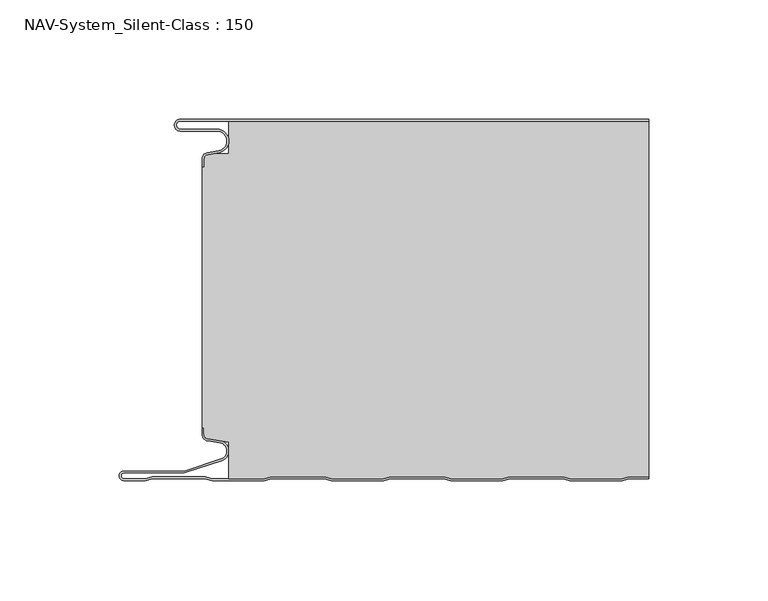
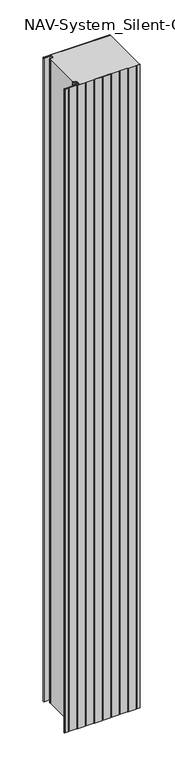
"""IFC4 building model written with IfcOpenShell, lengths in millimetres: plate geometry, NAV-System_Silent-Class : 150."""

from ifc_helpers import new_model, si_unit, frame, origin, place, context, project, spatial, polyline, circle_curve, source, transform, mapped, element, save
from ifc_brep_helpers import plane_surface, cylinder_surface, revolved_surface, advanced_brep


def nav_system_silent_class_150_ef2c6c8c(model_context):
    return source(origin(), model_context, "Body", "AdvancedBrep", [
        advanced_brep(
        [(-97.0000001, -0.8000002, 0.0), (-97.0000001, -4.1999999, 0.0), (-81.6002086, -4.1999999, 0.0), (-80.7423864, -14.0049502, 0.0), (-85.6125665, -14.8636946, 0.0), (-87.1000004, -16.6363494, 0.0), (-87.1000014, -19.9421291, 0.0), (-87.9000014, -19.9421291, 0.0), (-87.9000014, -16.6363484, 0.0), (-85.7514853, -14.0758488, 0.0), (-80.8813015, -13.217104, 0.0), (-81.600205, -4.9999999, 0.0), (-97.0000001, -4.9999999, 0.0), (-97.0000001, 0.0, 0.0), (99.5, 0.0, 0.0), (99.5, -0.8, 0.0), (-97.0000001, 0.0, 2000.0), (-97.0000001, -4.9999999, 2000.0), (-81.600205, -4.9999999, 2000.0), (-80.8813015, -13.217104, 2000.0), (-85.7514853, -14.0758488, 2000.0), (-87.8999997, -16.6363484, 2000.0), (-87.9000014, -19.9421291, 2000.0), (-87.1000014, -19.9421291, 2000.0), (-87.1000014, -16.6363494, 2000.0), (-85.6125665, -14.8636946, 2000.0), (-80.7423864, -14.0049502, 2000.0), (-81.6002086, -4.1999999, 2000.0), (-97.0000001, -4.1999999, 2000.0), (-97.0000001, -0.8000002, 2000.0), (99.5, -0.8, 2000.0), (99.5, 0.0, 2000.0)],
        [
            (0, 1, circle_curve(frame((-97.0000001, -2.5, 0.0), z_axis=(0.0, 0.0, 1.0), x_axis=(1.0, 0.0, 0.0)), 1.6999999)),
            (1, 2),
            (2, 3, circle_curve(frame((-81.6002086, -9.1399999, 0.0), z_axis=(0.0, 0.0, -1.0), x_axis=(1.0, 0.0, 0.0)), 4.94)),
            (3, 4),
            (4, 5, circle_curve(frame((-85.2999995, -16.6363494, 0.0), z_axis=(0.0, 0.0, 1.0), x_axis=(1.0, 0.0, 0.0)), 1.8000009)),
            (5, 6),
            (6, 7),
            (7, 8),
            (8, 9, circle_curve(frame((-85.3000002, -16.6363484, 0.0), z_axis=(0.0, 0.0, -1.0), x_axis=(1.0, 0.0, 0.0)), 2.5999995)),
            (9, 10),
            (10, 11, circle_curve(frame((-81.600205, -9.1399999, 0.0), z_axis=(0.0, 0.0, 1.0), x_axis=(1.0, 0.0, 0.0)), 4.14)),
            (11, 12),
            (12, 13, circle_curve(frame((-97.0000001, -2.4999999, 0.0), z_axis=(0.0, 0.0, -1.0), x_axis=(1.0, 0.0, 0.0)), 2.4999999)),
            (13, 14),
            (14, 15),
            (15, 0),
            (16, 17, circle_curve(frame((-97.0000001, -2.4999999, 2000.0), z_axis=(0.0, 0.0, 1.0), x_axis=(1.0, 0.0, 0.0)), 2.4999999)),
            (17, 18),
            (18, 19, circle_curve(frame((-81.600205, -9.1399999, 2000.0), z_axis=(0.0, 0.0, -1.0), x_axis=(1.0, 0.0, 0.0)), 4.14)),
            (19, 20),
            (20, 21, circle_curve(frame((-85.3000002, -16.6363484, 2000.0), z_axis=(0.0, 0.0, 1.0), x_axis=(1.0, 0.0, 0.0)), 2.5999995)),
            (21, 22),
            (22, 23),
            (23, 24),
            (24, 25, circle_curve(frame((-85.2999995, -16.6363494, 2000.0), z_axis=(0.0, 0.0, -1.0), x_axis=(1.0, 0.0, 0.0)), 1.8000009)),
            (25, 26),
            (26, 27, circle_curve(frame((-81.6002086, -9.1399999, 2000.0), z_axis=(0.0, 0.0, 1.0), x_axis=(1.0, 0.0, 0.0)), 4.94)),
            (27, 28),
            (28, 29, circle_curve(frame((-97.0000001, -2.5, 2000.0), z_axis=(0.0, 0.0, -1.0), x_axis=(1.0, 0.0, 0.0)), 1.6999999)),
            (29, 30),
            (30, 31),
            (31, 16),
            (29, 0),
            (15, 30),
            (13, 16),
            (31, 14),
            (1, 28),
            (27, 2),
            (5, 24),
            (23, 6),
            (22, 7),
            (21, 8),
            (11, 18),
            (17, 12),
            (26, 3),
            (25, 4),
            (20, 9),
            (19, 10),
        ],
        [
            plane_surface(frame((-99.5, 0.0, 0.0), z_axis=(0.0, 0.0, -1.0), x_axis=(0.0, -1.0, 0.0))),
            plane_surface(frame((-99.5, 0.0, 2000.0), z_axis=(0.0, 0.0, 1.0), x_axis=(0.0, -1.0, 0.0))),
            plane_surface(frame((898.5000017, -0.8, 0.0), z_axis=(0.0, -1.0, 0.0), x_axis=(0.0, 0.0, 1.0))),
            plane_surface(frame((-97.0000001, 0.0, 0.0), z_axis=(0.0, 1.0, 0.0), x_axis=(0.0, 0.0, 1.0))),
            plane_surface(frame((-97.0000001, -4.1999999, 0.0), z_axis=(0.0, 1.0, 0.0), x_axis=(0.0, 0.0, 1.0))),
            plane_surface(frame((-87.1000014, -16.6363494, 0.0), z_axis=(1.0, 0.0, 0.0), x_axis=(0.0, 0.0, 1.0))),
            plane_surface(frame((-87.1000014, -19.9421291, 0.0), z_axis=(0.0, -1.0, 0.0), x_axis=(0.0, 0.0, 1.0))),
            plane_surface(frame((-87.9000014, -19.9421291, 0.0), z_axis=(-1.0, 0.0, 0.0), x_axis=(0.0, 0.0, 1.0))),
            plane_surface(frame((-81.600205, -4.9999999, 0.0), z_axis=(0.0, -1.0, 0.0), x_axis=(0.0, 0.0, 1.0))),
            revolved_surface(polyline([(-95.3000002, -2.5, 2000.0), (-95.3000002, -2.5, 0.0)]), (-97.0000001, -2.5, 0.0), (0.0, 0.0, 1.0)),
            cylinder_surface(frame((-81.6002086, -9.1399999, 0.0), z_axis=(0.0, 0.0, -1.0), x_axis=(1.0, 0.0, 0.0)), 4.94),
            plane_surface(frame((-80.7423864, -14.0049502, 0.0), z_axis=(0.17364822279076972, -0.9848077450556567, 0.0), x_axis=(0.0, 0.0, 1.0))),
            revolved_surface(polyline([(-83.4999986, -16.6363494, 2000.0), (-83.4999986, -16.6363494, 0.0)]), (-85.2999995, -16.6363494, 0.0), (0.0, 0.0, 1.0)),
            cylinder_surface(frame((-85.3000002, -16.6363484, 0.0), z_axis=(0.0, 0.0, -1.0), x_axis=(1.0, 0.0, 0.0)), 2.5999995),
            plane_surface(frame((-85.7514853, -14.0758488, 0.0), z_axis=(-0.17364817295915452, 0.984807753842316, 0.0), x_axis=(0.0, 0.0, 1.0))),
            revolved_surface(polyline([(-77.460205, -9.1399999, 2000.0), (-77.460205, -9.1399999, 0.0)]), (-81.600205, -9.1399999, 0.0), (0.0, 0.0, 1.0)),
            cylinder_surface(frame((-97.0000001, -2.4999999, 0.0), z_axis=(0.0, 0.0, -1.0), x_axis=(1.0, 0.0, 0.0)), 2.4999999),
            plane_surface(frame((99.5, 100.0, 2000.0), z_axis=(1.0, 0.0, 0.0), x_axis=(0.0, 0.0, -1.0))),
        ],
        [
            (0, [[1, 2, 3, 4, 5, 6, 7, 8, 9, 10, 11, 12, 13, 14, 15, 16]]),
            (1, [[17, 18, 19, 20, 21, 22, 23, 24, 25, 26, 27, 28, 29, 30, 31, 32]]),
            (2, [[33, -16, 34, -30]]),
            (3, [[35, -32, 36, -14]]),
            (4, [[-2, 37, -28, 38]]),
            (5, [[-6, 39, -24, 40]]),
            (6, [[-7, -40, -23, 41]]),
            (7, [[-8, -41, -22, 42]]),
            (8, [[-12, 43, -18, 44]]),
            (9, [[-1, -33, -29, -37]]),
            (10, [[-3, -38, -27, 45]]),
            (11, [[-4, -45, -26, 46]]),
            (12, [[-5, -46, -25, -39]]),
            (13, [[-9, -42, -21, 47]]),
            (14, [[-10, -47, -20, 48]]),
            (15, [[-11, -48, -19, -43]]),
            (16, [[-13, -44, -17, -35]]),
            (17, [[-15, -36, -31, -34]]),
        ],
    ),
        advanced_brep(
        [(-76.6719045, -0.8, 2000.0), (-76.6719045, -14.4343223, 2000.0), (-83.1891722, -14.4343223, 2000.0), (-85.6242625, -14.8636946, 2000.0), (-87.1116964, -16.636349, 2000.0), (-87.1116974, -19.9512003, 2000.0), (-87.9116974, -19.9512003, 2000.0), (-87.9116974, -129.3983656, 2000.0), (-87.1116974, -129.3983656, 2000.0), (-87.1116974, -132.1656409, 2000.0), (-85.4245663, -134.1410176, 2000.0), (-76.6248082, -135.5347623, 2000.0), (-76.6248082, -150.8, 2000.0), (-61.8218295, -150.8, 2000.0), (-58.7610803, -150.0, 2000.0), (-36.5891849, -150.0, 2000.0), (-33.5284357, -150.8, 2000.0), (-11.8218295, -150.8, 2000.0), (-8.7610803, -150.0, 2000.0), (13.4108151, -150.0, 2000.0), (16.4715643, -150.8, 2000.0), (38.1904, -150.8, 2000.0), (41.2511493, -150.0, 2000.0), (63.4108151, -150.0, 2000.0), (66.4715643, -150.8, 2000.0), (88.1781705, -150.8, 2000.0), (91.2389197, -150.0, 2000.0), (99.5, -150.0, 2000.0), (99.5, -0.8, 2000.0), (91.2389197, -150.0, 0.0), (88.1781705, -150.8, 0.0), (66.4715643, -150.8, 0.0), (63.4108151, -150.0, 0.0), (41.2511493, -150.0, 0.0), (38.1904, -150.8, 0.0), (16.4715643, -150.8, 0.0), (13.4108151, -150.0, 0.0), (-8.7610803, -150.0, 0.0), (-11.8218295, -150.8, 0.0), (-33.5284357, -150.8, 0.0), (-36.5891849, -150.0, 0.0), (-58.7610803, -150.0, 0.0), (-61.8218295, -150.8, 0.0), (-76.6248082, -150.8, 0.0), (-76.6248082, -135.5347623, 0.0), (-85.4245663, -134.1410176, 0.0), (-87.1116974, -132.1656409, 0.0), (-87.1116974, -129.3983656, 0.0), (-87.9116974, -129.3983656, 0.0), (-87.9116974, -19.9512003, 0.0), (-87.1116974, -19.9512003, 0.0), (-87.1116974, -16.636349, 0.0), (-85.6242625, -14.8636946, 0.0), (-83.1891722, -14.4343223, 0.0), (-76.6719045, -14.4343223, 0.0), (-76.6719045, -0.8, 0.0), (99.5, -0.8, 0.0), (99.5, -150.0, 0.0)],
        [
            (0, 1),
            (1, 2),
            (2, 3),
            (3, 4, circle_curve(frame((-85.3116955, -16.6363494, 2000.0), z_axis=(0.0, 0.0, 1.0), x_axis=(1.0, 0.0, 0.0)), 1.8000009)),
            (4, 5),
            (5, 6),
            (6, 7),
            (7, 8),
            (8, 9),
            (9, 10, circle_curve(frame((-85.1116974, -132.1656409, 2000.0), z_axis=(0.0, 0.0, 1.0), x_axis=(1.0, 0.0, 0.0)), 2.0)),
            (10, 11),
            (11, 12),
            (12, 13),
            (13, 14),
            (14, 15),
            (15, 16),
            (16, 17),
            (17, 18),
            (18, 19),
            (19, 20),
            (20, 21),
            (21, 22),
            (22, 23),
            (23, 24),
            (24, 25),
            (25, 26),
            (26, 27),
            (27, 28),
            (28, 0),
            (29, 30),
            (30, 31),
            (31, 32),
            (32, 33),
            (33, 34),
            (34, 35),
            (35, 36),
            (36, 37),
            (37, 38),
            (38, 39),
            (39, 40),
            (40, 41),
            (41, 42),
            (42, 43),
            (43, 44),
            (44, 45),
            (45, 46, circle_curve(frame((-85.1116974, -132.1656409, 0.0), z_axis=(0.0, 0.0, -1.0), x_axis=(1.0, 0.0, 0.0)), 2.0)),
            (46, 47),
            (47, 48),
            (48, 49),
            (49, 50),
            (50, 51),
            (51, 52, circle_curve(frame((-85.3116955, -16.6363494, 0.0), z_axis=(0.0, 0.0, -1.0), x_axis=(1.0, 0.0, 0.0)), 1.8000009)),
            (52, 53),
            (53, 54),
            (54, 55),
            (55, 56),
            (56, 57),
            (57, 29),
            (55, 0),
            (28, 56),
            (54, 1),
            (53, 2),
            (52, 3),
            (51, 4),
            (50, 5),
            (49, 6),
            (48, 7),
            (47, 8),
            (46, 9),
            (45, 10),
            (44, 11),
            (43, 12),
            (42, 13),
            (41, 14),
            (40, 15),
            (39, 16),
            (38, 17),
            (37, 18),
            (36, 19),
            (35, 20),
            (34, 21),
            (33, 22),
            (32, 23),
            (31, 24),
            (30, 25),
            (29, 26),
            (57, 27),
        ],
        [
            plane_surface(frame((-99.5, 0.0, 2000.0), z_axis=(0.0, 0.0, 1.0), x_axis=(0.0, -1.0, 0.0))),
            plane_surface(frame((-99.5, 0.0, 0.0), z_axis=(0.0, 0.0, -1.0), x_axis=(0.0, -1.0, 0.0))),
            plane_surface(frame((898.4883057, -0.8, 2000.0), z_axis=(0.0, 1.0, 0.0), x_axis=(0.0, 0.0, -1.0))),
            plane_surface(frame((-76.6719045, -0.8, 2000.0), z_axis=(-1.0, 0.0, 0.0), x_axis=(0.0, 0.0, -1.0))),
            plane_surface(frame((-76.6719045, -14.4343223, 2000.0), z_axis=(0.0, 1.0, 0.0), x_axis=(0.0, 0.0, -1.0))),
            plane_surface(frame((-83.1891722, -14.4343223, 2000.0), z_axis=(-0.17364822279077605, 0.9848077450556556, 0.0), x_axis=(0.0, 0.0, -1.0))),
            cylinder_surface(frame((-85.3116955, -16.6363494, 2000.0), z_axis=(0.0, 0.0, 1.0), x_axis=(1.0, 0.0, 0.0)), 1.8000009),
            plane_surface(frame((-87.1116974, -16.636349, 2000.0), z_axis=(-1.0, 0.0, 0.0), x_axis=(0.0, 0.0, -1.0))),
            plane_surface(frame((-87.1116974, -19.9512003, 2000.0), z_axis=(0.0, 1.0, 0.0), x_axis=(0.0, 0.0, -1.0))),
            plane_surface(frame((-87.9116974, -19.9512003, 2000.0), z_axis=(-1.0, 0.0, 0.0), x_axis=(0.0, 0.0, -1.0))),
            plane_surface(frame((-87.9116974, -129.3983656, 2000.0), z_axis=(0.0, -1.0, 0.0), x_axis=(0.0, 0.0, -1.0))),
            plane_surface(frame((-87.1116974, -129.3983656, 2000.0), z_axis=(-1.0, 0.0, 0.0), x_axis=(0.0, 0.0, -1.0))),
            cylinder_surface(frame((-85.1116974, -132.1656409, 2000.0), z_axis=(0.0, 0.0, 1.0), x_axis=(1.0, 0.0, 0.0)), 2.0),
            plane_surface(frame((-85.4245663, -134.1410176, 2000.0), z_axis=(-0.15643446503999625, -0.987688340595175, 0.0), x_axis=(0.0, 0.0, -1.0))),
            plane_surface(frame((-76.6248082, -135.5347623, 2000.0), z_axis=(-1.0, 0.0, 0.0), x_axis=(0.0, 0.0, -1.0))),
            plane_surface(frame((-76.6248082, -150.8, 2000.0), z_axis=(0.0, -1.0, 0.0), x_axis=(0.0, 0.0, -1.0))),
            plane_surface(frame((-61.8218295, -150.8, 2000.0), z_axis=(0.2528787310081783, -0.9674979831522613, 0.0), x_axis=(0.0, 0.0, -1.0))),
            plane_surface(frame((-58.7610803, -150.0, 2000.0), z_axis=(0.0, -1.0, 0.0), x_axis=(0.0, 0.0, -1.0))),
            plane_surface(frame((-36.5891849, -150.0, 2000.0), z_axis=(-0.25287873100938985, -0.9674979831519447, 0.0), x_axis=(0.0, 0.0, -1.0))),
            plane_surface(frame((-33.5284357, -150.8, 2000.0), z_axis=(0.0, -1.0, 0.0), x_axis=(0.0, 0.0, -1.0))),
            plane_surface(frame((-11.8218295, -150.8, 2000.0), z_axis=(0.2528787310082863, -0.9674979831522332, 0.0), x_axis=(0.0, 0.0, -1.0))),
            plane_surface(frame((-8.7610803, -150.0, 2000.0), z_axis=(0.0, -1.0, 0.0), x_axis=(0.0, 0.0, -1.0))),
            plane_surface(frame((13.4108151, -150.0, 2000.0), z_axis=(-0.25287873100843145, -0.9674979831521953, 0.0), x_axis=(0.0, 0.0, -1.0))),
            plane_surface(frame((16.4715643, -150.8, 2000.0), z_axis=(0.0, -1.0, 0.0), x_axis=(0.0, 0.0, -1.0))),
            plane_surface(frame((38.1904, -150.8, 2000.0), z_axis=(0.2528787310081133, -0.9674979831522784, 0.0), x_axis=(0.0, 0.0, -1.0))),
            plane_surface(frame((41.2511493, -150.0, 2000.0), z_axis=(0.0, -1.0, 0.0), x_axis=(0.0, 0.0, -1.0))),
            plane_surface(frame((63.4108151, -150.0, 2000.0), z_axis=(-0.25287873100834907, -0.9674979831522168, 0.0), x_axis=(0.0, 0.0, -1.0))),
            plane_surface(frame((66.4715643, -150.8, 2000.0), z_axis=(0.0, -1.0, 0.0), x_axis=(0.0, 0.0, -1.0))),
            plane_surface(frame((88.1781705, -150.8, 2000.0), z_axis=(0.2528787310082685, -0.9674979831522379, 0.0), x_axis=(0.0, 0.0, -1.0))),
            plane_surface(frame((91.2389197, -150.0, 2000.0), z_axis=(0.0, -1.0, 0.0), x_axis=(0.0, 0.0, -1.0))),
            plane_surface(frame((99.5, 100.0, 2000.0), z_axis=(1.0, 0.0, 0.0), x_axis=(0.0, 0.0, -1.0))),
        ],
        [
            (0, [[1, 2, 3, 4, 5, 6, 7, 8, 9, 10, 11, 12, 13, 14, 15, 16, 17, 18, 19, 20, 21, 22, 23, 24, 25, 26, 27, 28, 29]]),
            (1, [[30, 31, 32, 33, 34, 35, 36, 37, 38, 39, 40, 41, 42, 43, 44, 45, 46, 47, 48, 49, 50, 51, 52, 53, 54, 55, 56, 57, 58]]),
            (2, [[59, -29, 60, -56]]),
            (3, [[-1, -59, -55, 61]]),
            (4, [[-2, -61, -54, 62]]),
            (5, [[-3, -62, -53, 63]]),
            (6, [[-4, -63, -52, 64]]),
            (7, [[-5, -64, -51, 65]]),
            (8, [[-6, -65, -50, 66]]),
            (9, [[-7, -66, -49, 67]]),
            (10, [[-8, -67, -48, 68]]),
            (11, [[-9, -68, -47, 69]]),
            (12, [[-10, -69, -46, 70]]),
            (13, [[-11, -70, -45, 71]]),
            (14, [[-12, -71, -44, 72]]),
            (15, [[-13, -72, -43, 73]]),
            (16, [[-14, -73, -42, 74]]),
            (17, [[-15, -74, -41, 75]]),
            (18, [[-16, -75, -40, 76]]),
            (19, [[-17, -76, -39, 77]]),
            (20, [[-18, -77, -38, 78]]),
            (21, [[-19, -78, -37, 79]]),
            (22, [[-20, -79, -36, 80]]),
            (23, [[-21, -80, -35, 81]]),
            (24, [[-22, -81, -34, 82]]),
            (25, [[-23, -82, -33, 83]]),
            (26, [[-24, -83, -32, 84]]),
            (27, [[-25, -84, -31, 85]]),
            (28, [[-26, -85, -30, 86]]),
            (29, [[-86, -58, 87, -27]]),
            (30, [[-28, -87, -57, -60]]),
        ],
    ),
        advanced_brep(
        [(91.239397, -150.0, 2000.0), (88.1786477, -150.8, 2000.0), (66.4720416, -150.8, 2000.0), (63.4112923, -150.0, 2000.0), (41.2516265, -150.0, 2000.0), (38.1908772, -150.8, 2000.0), (16.4720416, -150.8, 2000.0), (13.4112923, -150.0, 2000.0), (-8.760603, -150.0, 2000.0), (-11.8213523, -150.8, 2000.0), (-33.5279584, -150.8, 2000.0), (-36.5887077, -150.0, 2000.0), (-58.760603, -150.0, 2000.0), (-61.8213523, -150.8, 2000.0), (-83.5279584, -150.8, 2000.0), (-86.5887077, -150.0, 2000.0), (-108.760603, -150.0, 2000.0), (-111.8190206, -150.7993906, 2000.0), (-120.7154182, -150.7993906, 2000.0), (-120.6771783, -148.4000003, 2000.0), (-95.3414726, -148.4000003, 2000.0), (-79.6231923, -143.2926893, 2000.0), (-80.2358126, -134.9629887, 2000.0), (-85.4240891, -134.1412465, 2000.0), (-87.1112201, -132.1658698, 2000.0), (-87.1112201, -129.3985945, 2000.0), (-87.9112201, -129.3985945, 2000.0), (-87.9112201, -132.1658698, 2000.0), (-85.5140582, -134.93674, 2000.0), (-80.4044746, -135.7460185, 2000.0), (-79.8704103, -142.5316172, 2000.0), (-95.4681798, -147.6000003, 2000.0), (-120.6771783, -147.6000003, 2000.0), (-120.726556, -151.5993906, 2000.0), (-111.7161981, -151.5993906, 2000.0), (-108.6577806, -150.8, 2000.0), (-86.6915302, -150.8, 2000.0), (-83.6307809, -151.6, 2000.0), (-61.7185298, -151.6, 2000.0), (-58.6577806, -150.8, 2000.0), (-36.6915302, -150.8, 2000.0), (-33.6307809, -151.6, 2000.0), (-11.7185298, -151.6, 2000.0), (-8.6577806, -150.8, 2000.0), (13.3084698, -150.8, 2000.0), (16.3692191, -151.6, 2000.0), (38.2936997, -151.6, 2000.0), (41.354449, -150.8, 2000.0), (63.3084698, -150.8, 2000.0), (66.3692191, -151.6, 2000.0), (88.2814702, -151.6, 2000.0), (91.3422194, -150.8, 2000.0), (99.5, -150.8, 2000.0), (99.5, -150.0, 2000.0), (91.3422194, -150.8, 0.0), (88.2814702, -151.6, 0.0), (66.3692191, -151.6, 0.0), (63.3084698, -150.8, 0.0), (41.354449, -150.8, 0.0), (38.2936997, -151.6, 0.0), (16.3692191, -151.6, 0.0), (13.3084698, -150.8, 0.0), (-8.6577806, -150.8, 0.0), (-11.7185298, -151.6, 0.0), (-33.6307809, -151.6, 0.0), (-36.6915302, -150.8, 0.0), (-58.6577806, -150.8, 0.0), (-61.7185298, -151.6, 0.0), (-83.6307809, -151.6, 0.0), (-86.6915302, -150.8, 0.0), (-108.6577806, -150.8, 0.0), (-111.7161981, -151.5993906, 0.0), (-120.726556, -151.5993906, 0.0), (-120.6771783, -147.6000003, 0.0), (-95.4681798, -147.6000003, 0.0), (-79.8704103, -142.5318461, 0.0), (-80.4044746, -135.7460185, 0.0), (-85.5140582, -134.93674, 0.0), (-87.9112201, -132.1658698, 0.0), (-87.9112201, -129.3985945, 0.0), (-87.1112201, -129.3985945, 0.0), (-87.1112201, -132.1658698, 0.0), (-85.4240891, -134.1412465, 0.0), (-80.2358126, -134.9629887, 0.0), (-79.6231923, -143.2924604, 0.0), (-95.3414726, -148.4000003, 0.0), (-120.6771783, -148.4000003, 0.0), (-120.7154182, -150.7993906, 0.0), (-111.8190206, -150.7993906, 0.0), (-108.760603, -150.0, 0.0), (-86.5887077, -150.0, 0.0), (-83.5279584, -150.8, 0.0), (-61.8213523, -150.8, 0.0), (-58.760603, -150.0, 0.0), (-36.5887077, -150.0, 0.0), (-33.5279584, -150.8, 0.0), (-11.8213523, -150.8, 0.0), (-8.760603, -150.0, 0.0), (13.4112923, -150.0, 0.0), (16.4720416, -150.8, 0.0), (38.1908772, -150.8, 0.0), (41.2516265, -150.0, 0.0), (63.4112923, -150.0, 0.0), (66.4720416, -150.8, 0.0), (88.1786477, -150.8, 0.0), (91.239397, -150.0, 0.0), (99.5, -150.0, 0.0), (99.5, -150.8, 0.0)],
        [
            (0, 1),
            (1, 2),
            (2, 3),
            (3, 4),
            (4, 5),
            (5, 6),
            (6, 7),
            (7, 8),
            (8, 9),
            (9, 10),
            (10, 11),
            (11, 12),
            (12, 13),
            (13, 14),
            (14, 15),
            (15, 16),
            (16, 17),
            (17, 18),
            (18, 19, circle_curve(frame((-120.6771783, -149.6000001, 2000.0), z_axis=(0.0, 0.0, -1.0), x_axis=(1.0, 0.0, 0.0)), 1.1999999)),
            (19, 20),
            (20, 21),
            (21, 22, circle_curve(frame((-80.9519964, -139.2029275, 2000.0), z_axis=(0.0, 0.0, 1.0), x_axis=(1.0, 0.0, 0.0)), 4.3)),
            (22, 23),
            (23, 24, circle_curve(frame((-85.1112201, -132.1658698, 2000.0), z_axis=(0.0, 0.0, -1.0), x_axis=(1.0, 0.0, 0.0)), 2.0)),
            (24, 25),
            (25, 26),
            (26, 27),
            (27, 28, circle_curve(frame((-85.1112201, -132.1658698, 2000.0), z_axis=(0.0, 0.0, 1.0), x_axis=(1.0, 0.0, 0.0)), 2.8)),
            (28, 29),
            (29, 30, circle_curve(frame((-80.9519952, -139.2029277, 2000.0), z_axis=(0.0, 0.0, -1.0), x_axis=(1.0, 0.0, 0.0)), 3.5)),
            (30, 31),
            (31, 32),
            (32, 33, circle_curve(frame((-120.6771783, -149.6000003, 2000.0), z_axis=(0.0, 0.0, 1.0), x_axis=(1.0, 0.0, 0.0)), 1.9999999)),
            (33, 34),
            (34, 35),
            (35, 36),
            (36, 37),
            (37, 38),
            (38, 39),
            (39, 40),
            (40, 41),
            (41, 42),
            (42, 43),
            (43, 44),
            (44, 45),
            (45, 46),
            (46, 47),
            (47, 48),
            (48, 49),
            (49, 50),
            (50, 51),
            (51, 52),
            (52, 53),
            (53, 0),
            (54, 55),
            (55, 56),
            (56, 57),
            (57, 58),
            (58, 59),
            (59, 60),
            (60, 61),
            (61, 62),
            (62, 63),
            (63, 64),
            (64, 65),
            (65, 66),
            (66, 67),
            (67, 68),
            (68, 69),
            (69, 70),
            (70, 71),
            (71, 72),
            (72, 73, circle_curve(frame((-120.6771783, -149.6000003, 0.0), z_axis=(0.0, 0.0, -1.0), x_axis=(1.0, 0.0, 0.0)), 1.9999999)),
            (73, 74),
            (74, 75),
            (75, 76, circle_curve(frame((-80.9519952, -139.2029277, 0.0), z_axis=(0.0, 0.0, 1.0), x_axis=(1.0, 0.0, 0.0)), 3.5)),
            (76, 77),
            (77, 78, circle_curve(frame((-85.1112201, -132.1658698, 0.0), z_axis=(0.0, 0.0, -1.0), x_axis=(1.0, 0.0, 0.0)), 2.8)),
            (78, 79),
            (79, 80),
            (80, 81),
            (81, 82, circle_curve(frame((-85.1112201, -132.1658698, 0.0), z_axis=(0.0, 0.0, 1.0), x_axis=(1.0, 0.0, 0.0)), 2.0)),
            (82, 83),
            (83, 84, circle_curve(frame((-80.9519964, -139.2029275, 0.0), z_axis=(0.0, 0.0, -1.0), x_axis=(1.0, 0.0, 0.0)), 4.3)),
            (84, 85),
            (85, 86),
            (86, 87, circle_curve(frame((-120.6771783, -149.6000001, 0.0), z_axis=(0.0, 0.0, 1.0), x_axis=(1.0, 0.0, 0.0)), 1.1999999)),
            (87, 88),
            (88, 89),
            (89, 90),
            (90, 91),
            (91, 92),
            (92, 93),
            (93, 94),
            (94, 95),
            (95, 96),
            (96, 97),
            (97, 98),
            (98, 99),
            (99, 100),
            (100, 101),
            (101, 102),
            (102, 103),
            (103, 104),
            (104, 105),
            (105, 106),
            (106, 107),
            (107, 54),
            (17, 88),
            (87, 18),
            (86, 19),
            (85, 20),
            (84, 21),
            (22, 83),
            (82, 23),
            (81, 24),
            (80, 25),
            (79, 26),
            (78, 27),
            (77, 28),
            (30, 75),
            (74, 31),
            (73, 32),
            (72, 33),
            (71, 34),
            (105, 0),
            (53, 106),
            (104, 1),
            (103, 2),
            (102, 3),
            (101, 4),
            (100, 5),
            (99, 6),
            (98, 7),
            (97, 8),
            (96, 9),
            (95, 10),
            (94, 11),
            (93, 12),
            (92, 13),
            (91, 14),
            (90, 15),
            (89, 16),
            (76, 29),
            (70, 35),
            (69, 36),
            (68, 37),
            (67, 38),
            (66, 39),
            (65, 40),
            (64, 41),
            (63, 42),
            (62, 43),
            (61, 44),
            (60, 45),
            (59, 46),
            (58, 47),
            (57, 48),
            (56, 49),
            (55, 50),
            (54, 51),
            (107, 52),
        ],
        [
            plane_surface(frame((-99.5, -151.6, 2000.0), z_axis=(0.0, 0.0, 1.0), x_axis=(-1.0, 0.0, 0.0))),
            plane_surface(frame((-99.5, -151.6, 0.0), z_axis=(0.0, 0.0, -1.0), x_axis=(-1.0, 0.0, 0.0))),
            plane_surface(frame((-111.8190206, -150.7993906, 2000.0), z_axis=(0.0, 1.0, 0.0), x_axis=(0.0, 0.0, -1.0))),
            revolved_surface(polyline([(-119.4771784, -149.6000001, 0.0), (-119.4771784, -149.6000001, 2000.0)]), (-120.6771783, -149.6000001, 2000.0), (0.0, 0.0, -1.0)),
            plane_surface(frame((-120.6771783, -148.4000003, 2000.0), z_axis=(0.0, -1.0, 0.0), x_axis=(0.0, 0.0, -1.0))),
            plane_surface(frame((-95.3414726, -148.4000003, 2000.0), z_axis=(0.30902422182651945, -0.9510541679234229, 0.0), x_axis=(0.0, 0.0, -1.0))),
            plane_surface(frame((-80.2358126, -134.9629887, 2000.0), z_axis=(0.15643446504003203, 0.9876883405951694, 0.0), x_axis=(0.0, 0.0, -1.0))),
            revolved_surface(polyline([(-83.1112201, -132.1658698, 0.0), (-83.1112201, -132.1658698, 2000.0)]), (-85.1112201, -132.1658698, 2000.0), (0.0, 0.0, -1.0)),
            plane_surface(frame((-87.1112201, -132.1658698, 2000.0), z_axis=(1.0, 0.0, 0.0), x_axis=(0.0, 0.0, -1.0))),
            plane_surface(frame((-87.1112201, -129.3985945, 2000.0), z_axis=(0.0, 1.0, 0.0), x_axis=(0.0, 0.0, -1.0))),
            plane_surface(frame((-87.9112201, -129.3985945, 2000.0), z_axis=(-1.0, 0.0, 0.0), x_axis=(0.0, 0.0, -1.0))),
            cylinder_surface(frame((-85.1112201, -132.1658698, 2000.0), z_axis=(0.0, 0.0, 1.0), x_axis=(1.0, 0.0, 0.0)), 2.8),
            plane_surface(frame((-79.8704103, -142.5318461, 2000.0), z_axis=(-0.3090242543637345, 0.9510541573511668, 0.0), x_axis=(0.0, 0.0, -1.0))),
            plane_surface(frame((-95.4681798, -147.6000003, 2000.0), z_axis=(0.0, 1.0, 0.0), x_axis=(0.0, 0.0, -1.0))),
            cylinder_surface(frame((-120.6771783, -149.6000003, 2000.0), z_axis=(0.0, 0.0, 1.0), x_axis=(1.0, 0.0, 0.0)), 1.9999999),
            plane_surface(frame((-120.726556, -151.5993906, 2000.0), z_axis=(0.0, -1.0, 0.0), x_axis=(0.0, 0.0, -1.0))),
            plane_surface(frame((113.4112923, -150.0, 2000.0), z_axis=(0.0, 1.0, 0.0), x_axis=(0.0, 0.0, -1.0))),
            plane_surface(frame((91.239397, -150.0, 2000.0), z_axis=(-0.25287873100816, 0.9674979831522662, 0.0), x_axis=(0.0, 0.0, -1.0))),
            plane_surface(frame((88.1786477, -150.8, 2000.0), z_axis=(0.0, 1.0, 0.0), x_axis=(0.0, 0.0, -1.0))),
            plane_surface(frame((66.4720416, -150.8, 2000.0), z_axis=(0.2528787310081598, 0.9674979831522662, 0.0), x_axis=(0.0, 0.0, -1.0))),
            plane_surface(frame((63.4112923, -150.0, 2000.0), z_axis=(0.0, 1.0, 0.0), x_axis=(0.0, 0.0, -1.0))),
            plane_surface(frame((41.2516265, -150.0, 2000.0), z_axis=(-0.25287873100816, 0.9674979831522662, 0.0), x_axis=(0.0, 0.0, -1.0))),
            plane_surface(frame((38.1908772, -150.8, 2000.0), z_axis=(0.0, 1.0, 0.0), x_axis=(0.0, 0.0, -1.0))),
            plane_surface(frame((16.4720416, -150.8, 2000.0), z_axis=(0.2528787310083406, 0.9674979831522191, 0.0), x_axis=(0.0, 0.0, -1.0))),
            plane_surface(frame((13.4112923, -150.0, 2000.0), z_axis=(0.0, 1.0, 0.0), x_axis=(0.0, 0.0, -1.0))),
            plane_surface(frame((-8.760603, -150.0, 2000.0), z_axis=(-0.25287873100834074, 0.9674979831522189, 0.0), x_axis=(0.0, 0.0, -1.0))),
            plane_surface(frame((-11.8213523, -150.8, 2000.0), z_axis=(0.0, 1.0, 0.0), x_axis=(0.0, 0.0, -1.0))),
            plane_surface(frame((-33.5279584, -150.8, 2000.0), z_axis=(0.2528787310081598, 0.9674979831522662, 0.0), x_axis=(0.0, 0.0, -1.0))),
            plane_surface(frame((-36.5887077, -150.0, 2000.0), z_axis=(0.0, 1.0, 0.0), x_axis=(0.0, 0.0, -1.0))),
            plane_surface(frame((-58.760603, -150.0, 2000.0), z_axis=(-0.25287873100816, 0.9674979831522662, 0.0), x_axis=(0.0, 0.0, -1.0))),
            plane_surface(frame((-61.8213523, -150.8, 2000.0), z_axis=(0.0, 1.0, 0.0), x_axis=(0.0, 0.0, -1.0))),
            plane_surface(frame((-83.5279584, -150.8, 2000.0), z_axis=(0.2528787310081598, 0.9674979831522662, 0.0), x_axis=(0.0, 0.0, -1.0))),
            plane_surface(frame((-86.5887077, -150.0, 2000.0), z_axis=(0.0, 1.0, 0.0), x_axis=(0.0, 0.0, -1.0))),
            plane_surface(frame((-108.760603, -150.0, 2000.0), z_axis=(-0.25287873100816, 0.9674979831522662, 0.0), x_axis=(0.0, 0.0, -1.0))),
            cylinder_surface(frame((-80.9519964, -139.2029275, 2000.0), z_axis=(0.0, 0.0, 1.0), x_axis=(1.0, 0.0, 0.0)), 4.3),
            plane_surface(frame((-85.5140582, -134.93674, 2000.0), z_axis=(-0.15643446504045883, -0.9876883405951018, 0.0), x_axis=(0.0, 0.0, -1.0))),
            revolved_surface(polyline([(-77.4519952, -139.2029277, 0.0), (-77.4519952, -139.2029277, 2000.0)]), (-80.9519952, -139.2029277, 2000.0), (0.0, 0.0, -1.0)),
            plane_surface(frame((-111.7161981, -151.5993906, 2000.0), z_axis=(0.25287873100765673, -0.9674979831523978, 0.0), x_axis=(0.0, 0.0, -1.0))),
            plane_surface(frame((-108.6577806, -150.8, 2000.0), z_axis=(0.0, -1.0, 0.0), x_axis=(0.0, 0.0, -1.0))),
            plane_surface(frame((-86.6915302, -150.8, 2000.0), z_axis=(-0.2528787310076565, -0.9674979831523979, 0.0), x_axis=(0.0, 0.0, -1.0))),
            plane_surface(frame((-83.6307809, -151.6, 2000.0), z_axis=(0.0, -1.0, 0.0), x_axis=(0.0, 0.0, -1.0))),
            plane_surface(frame((-61.7185298, -151.6, 2000.0), z_axis=(0.25287873100765673, -0.9674979831523978, 0.0), x_axis=(0.0, 0.0, -1.0))),
            plane_surface(frame((-58.6577806, -150.8, 2000.0), z_axis=(0.0, -1.0, 0.0), x_axis=(0.0, 0.0, -1.0))),
            plane_surface(frame((-36.6915302, -150.8, 2000.0), z_axis=(-0.2528787310078372, -0.9674979831523505, 0.0), x_axis=(0.0, 0.0, -1.0))),
            plane_surface(frame((-33.6307809, -151.6, 2000.0), z_axis=(0.0, -1.0, 0.0), x_axis=(0.0, 0.0, -1.0))),
            plane_surface(frame((-11.7185298, -151.6, 2000.0), z_axis=(0.2528787310078374, -0.9674979831523505, 0.0), x_axis=(0.0, 0.0, -1.0))),
            plane_surface(frame((-8.6577806, -150.8, 2000.0), z_axis=(0.0, -1.0, 0.0), x_axis=(0.0, 0.0, -1.0))),
            plane_surface(frame((13.3084698, -150.8, 2000.0), z_axis=(-0.2528787310078372, -0.9674979831523505, 0.0), x_axis=(0.0, 0.0, -1.0))),
            plane_surface(frame((16.3692191, -151.6, 2000.0), z_axis=(0.0, -1.0, 0.0), x_axis=(0.0, 0.0, -1.0))),
            plane_surface(frame((38.2936997, -151.6, 2000.0), z_axis=(0.2528787310083481, -0.967497983152217, 0.0), x_axis=(0.0, 0.0, -1.0))),
            plane_surface(frame((41.354449, -150.8, 2000.0), z_axis=(0.0, -1.0, 0.0), x_axis=(0.0, 0.0, -1.0))),
            plane_surface(frame((63.3084698, -150.8, 2000.0), z_axis=(-0.2528787310076565, -0.9674979831523979, 0.0), x_axis=(0.0, 0.0, -1.0))),
            plane_surface(frame((66.3692191, -151.6, 2000.0), z_axis=(0.0, -1.0, 0.0), x_axis=(0.0, 0.0, -1.0))),
            plane_surface(frame((88.2814702, -151.6, 2000.0), z_axis=(0.25287873100765673, -0.9674979831523978, 0.0), x_axis=(0.0, 0.0, -1.0))),
            plane_surface(frame((91.3422194, -150.8, 2000.0), z_axis=(0.0, -1.0, 0.0), x_axis=(0.0, 0.0, -1.0))),
            plane_surface(frame((99.5, 100.0, 2000.0), z_axis=(1.0, 0.0, 0.0), x_axis=(0.0, 0.0, -1.0))),
        ],
        [
            (0, [[1, 2, 3, 4, 5, 6, 7, 8, 9, 10, 11, 12, 13, 14, 15, 16, 17, 18, 19, 20, 21, 22, 23, 24, 25, 26, 27, 28, 29, 30, 31, 32, 33, 34, 35, 36, 37, 38, 39, 40, 41, 42, 43, 44, 45, 46, 47, 48, 49, 50, 51, 52, 53, 54]]),
            (1, [[55, 56, 57, 58, 59, 60, 61, 62, 63, 64, 65, 66, 67, 68, 69, 70, 71, 72, 73, 74, 75, 76, 77, 78, 79, 80, 81, 82, 83, 84, 85, 86, 87, 88, 89, 90, 91, 92, 93, 94, 95, 96, 97, 98, 99, 100, 101, 102, 103, 104, 105, 106, 107, 108]]),
            (2, [[-18, 109, -88, 110]]),
            (3, [[-19, -110, -87, 111]]),
            (4, [[-20, -111, -86, 112]]),
            (5, [[-21, -112, -85, 113]]),
            (6, [[-23, 114, -83, 115]]),
            (7, [[-24, -115, -82, 116]]),
            (8, [[-25, -116, -81, 117]]),
            (9, [[-26, -117, -80, 118]]),
            (10, [[-27, -118, -79, 119]]),
            (11, [[-28, -119, -78, 120]]),
            (12, [[-31, 121, -75, 122]]),
            (13, [[-32, -122, -74, 123]]),
            (14, [[-33, -123, -73, 124]]),
            (15, [[-34, -124, -72, 125]]),
            (16, [[126, -54, 127, -106]]),
            (17, [[-1, -126, -105, 128]]),
            (18, [[-2, -128, -104, 129]]),
            (19, [[-3, -129, -103, 130]]),
            (20, [[-4, -130, -102, 131]]),
            (21, [[-5, -131, -101, 132]]),
            (22, [[-6, -132, -100, 133]]),
            (23, [[-7, -133, -99, 134]]),
            (24, [[-8, -134, -98, 135]]),
            (25, [[-9, -135, -97, 136]]),
            (26, [[-10, -136, -96, 137]]),
            (27, [[-11, -137, -95, 138]]),
            (28, [[-12, -138, -94, 139]]),
            (29, [[-13, -139, -93, 140]]),
            (30, [[-14, -140, -92, 141]]),
            (31, [[-15, -141, -91, 142]]),
            (32, [[-16, -142, -90, 143]]),
            (33, [[-17, -143, -89, -109]]),
            (34, [[-22, -113, -84, -114]]),
            (35, [[-29, -120, -77, 144]]),
            (36, [[-30, -144, -76, -121]]),
            (37, [[-35, -125, -71, 145]]),
            (38, [[-36, -145, -70, 146]]),
            (39, [[-37, -146, -69, 147]]),
            (40, [[-38, -147, -68, 148]]),
            (41, [[-39, -148, -67, 149]]),
            (42, [[-40, -149, -66, 150]]),
            (43, [[-41, -150, -65, 151]]),
            (44, [[-42, -151, -64, 152]]),
            (45, [[-43, -152, -63, 153]]),
            (46, [[-44, -153, -62, 154]]),
            (47, [[-45, -154, -61, 155]]),
            (48, [[-46, -155, -60, 156]]),
            (49, [[-47, -156, -59, 157]]),
            (50, [[-48, -157, -58, 158]]),
            (51, [[-49, -158, -57, 159]]),
            (52, [[-50, -159, -56, 160]]),
            (53, [[-51, -160, -55, 161]]),
            (54, [[-161, -108, 162, -52]]),
            (55, [[-53, -162, -107, -127]]),
        ],
    ),
    ])


if __name__ == "__main__":
    model = new_model("IFC4")
    model_context = context("Model", 3, world=origin())
    ifc_project = project(units=[si_unit("LENGTHUNIT", "METRE", prefix="MILLI")], contexts=[model_context])
    site = spatial("IfcSite", under=ifc_project)
    building = spatial("IfcBuilding", under=site)
    placement = place(None, origin())
    nav_system_silent_class_150_shape = nav_system_silent_class_150_ef2c6c8c(model_context)
    element("IfcPlate", 1, ObjectType="NAV-System_Silent-Class : 150", at=placement, inside=building, context=model_context, shape_type="MappedRepresentation", body=[
        mapped(nav_system_silent_class_150_shape, transform((0.0, 0.0, 0.0), x_axis=(1.0, 0.0, 0.0), y_axis=(0.0, 1.0, 0.0), z_axis=(0.0, 0.0, 1.0))),
    ])
    save(model, "model.ifc")
